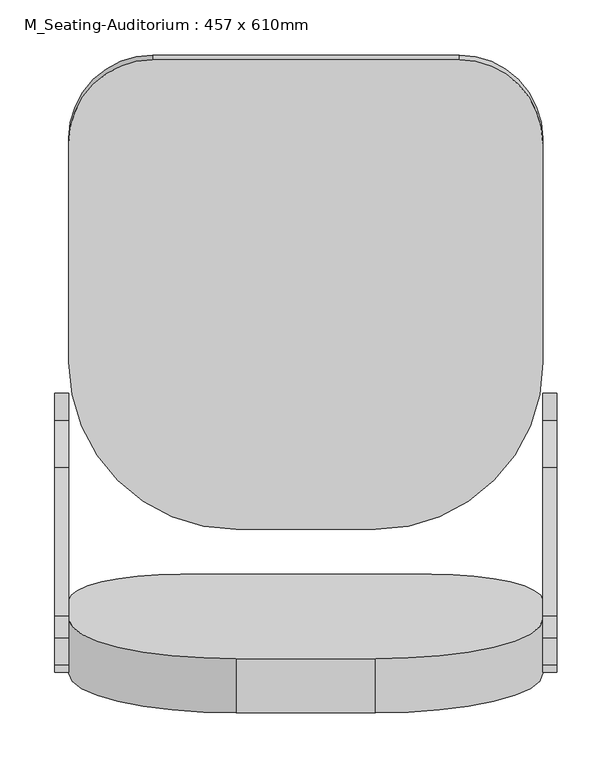
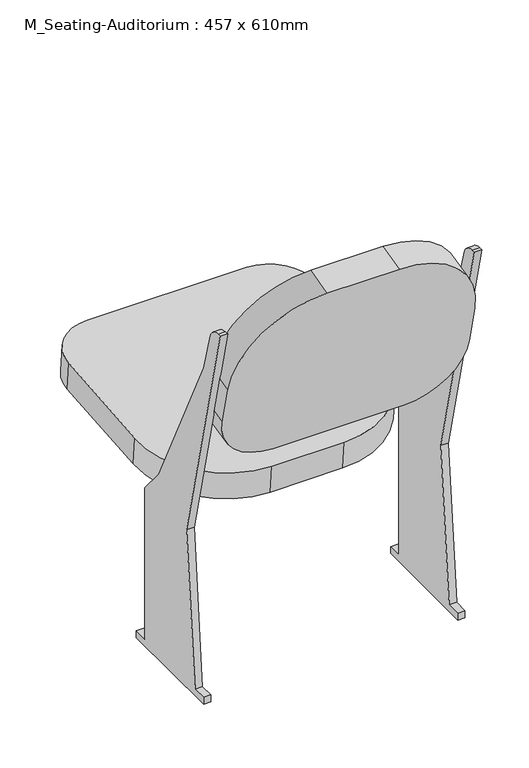
"""IFC4 building model written with IfcOpenShell, lengths in millimetres: furniture geometry, M_Seating-Auditorium : 457 x 610mm."""

from ifc_helpers import new_model, si_unit, point, frame, frame_2d, origin, place, context, project, spatial, polyline, circle_curve, trimmed, segment, composite_curve, outline, extrude, source, transform, mapped, element, save


def m_seating_auditorium_457_x_610mm_3d1d9cbc(model_context):
    return source(origin(), model_context, "Body", "SweptSolid", [
        extrude(outline(composite_curve([segment(polyline([(0.0, 0.0), (127.0, 0.0)]), True, "CONTINUOUS"), segment(trimmed(circle_curve(frame_2d((127.0, -152.4)), 152.4), [point((127.0, 0.0))], [point((279.4, -152.4))], False, "CARTESIAN"), True, "CONTINUOUS"), segment(polyline([(279.4, -152.4), (279.4, -224.0588601)]), True, "CONTINUOUS"), segment(trimmed(circle_curve(frame_2d((177.8, -224.0588601)), 101.6), [point((279.4, -224.0588601))], [point((177.8, -325.6588601))], False, "CARTESIAN"), True, "CONTINUOUS"), segment(polyline([(177.8, -325.6588601), (-50.8, -325.6588601)]), True, "CONTINUOUS"), segment(trimmed(circle_curve(frame_2d((-50.8, -224.0588601)), 101.6), [point((-50.8, -325.6588601))], [point((-152.4, -224.0588601))], False, "CARTESIAN"), True, "CONTINUOUS"), segment(polyline([(-152.4, -224.0588601), (-152.4, -152.4)]), True, "CONTINUOUS"), segment(trimmed(circle_curve(frame_2d((0.0, -152.4)), 152.4), [point((-152.4, -152.4))], [point((0.0, 0.0))], False, "CARTESIAN"), True, "CONTINUOUS")], self_intersect=False)), frame((224.2278689, -101.3396919, 755.9484479), z_axis=(0.0, 0.9717404775047361, 0.23605178325712217), x_axis=(-1.0, 0.0, 0.0)), (0.0, 0.0, 1.0), 50.8),
        extrude(outline(composite_curve([segment(trimmed(circle_curve(frame_2d((0.0, -76.2)), 76.2), [point((0.0, 0.0))], [point((76.2, -76.2))], False, "CARTESIAN"), True, "CONTINUOUS"), segment(polyline([(76.2, -76.2), (76.2, -276.4123505)]), True, "CONTINUOUS"), segment(trimmed(circle_curve(frame_2d((-76.2, -276.4123505)), 152.4), [point((76.2, -276.4123505))], [point((-76.2, -428.8123506))], False, "CARTESIAN"), True, "CONTINUOUS"), segment(polyline([(-76.2, -428.8123506), (-203.2, -428.8123506)]), True, "CONTINUOUS"), segment(trimmed(circle_curve(frame_2d((-203.2, -276.4123505)), 152.4), [point((-203.2, -428.8123506))], [point((-355.6, -276.4123505))], False, "CARTESIAN"), True, "CONTINUOUS"), segment(polyline([(-355.6, -276.4123505), (-355.6, -76.2)]), True, "CONTINUOUS"), segment(trimmed(circle_curve(frame_2d((-279.4, -76.2)), 76.2), [point((-355.6, -76.2))], [point((-279.4, 0.0))], False, "CARTESIAN"), True, "CONTINUOUS"), segment(polyline([(-279.4, 0.0), (0.0, 0.0)]), True, "CONTINUOUS")], self_intersect=False)), frame((300.4278689, 497.5245173, 321.2380213), z_axis=(0.0, -0.08715574274765496, 0.9961946980917459), x_axis=(1.0, 0.0, 0.0)), (0.0, 0.0, 1.0), 50.8),
        extrude(outline(composite_curve([segment(polyline([(-13.3245902, 0.0), (-13.3245902, 12.7), (12.0754098, 12.7), (37.4754098, 292.1), (-64.1245902, 711.2), (-57.883846, 711.2)]), True, "CONTINUOUS"), segment(trimmed(circle_curve(frame_2d((-57.883846, 685.8)), 25.4), [point((-57.883846, 711.2))], [point((-33.4611378, 692.7779166))], False, "CARTESIAN"), True, "CONTINUOUS"), segment(polyline([(-33.4611378, 692.7779166), (-13.3245902, 622.3), (121.8491486, 342.9), (164.4754098, 292.1), (164.4754098, 12.7), (189.8754098, 12.7), (189.8754098, 0.0), (-13.3245902, 0.0)]), True, "CONTINUOUS")], self_intersect=False)), frame((-67.8721311, 0.0, 0.0), z_axis=(1.0, 0.0, 0.0), x_axis=(0.0, 1.0, 0.0)), (0.0, 0.0, 1.0), 12.7),
        extrude(outline(composite_curve([segment(polyline([(-13.3245902, 12.7), (12.0754098, 12.7), (37.4754098, 292.1), (-64.1245902, 711.2), (-57.883846, 711.2)]), True, "CONTINUOUS"), segment(trimmed(circle_curve(frame_2d((-57.883846, 685.8)), 25.4), [point((-57.883846, 711.2))], [point((-33.4611378, 692.7779166))], False, "CARTESIAN"), True, "CONTINUOUS"), segment(polyline([(-33.4611378, 692.7779166), (-13.3245902, 622.3), (121.8491486, 342.9), (164.4754098, 292.1), (164.4754098, 12.7), (189.8754098, 12.7), (189.8754098, 0.0), (-13.3245902, 0.0), (-13.3245902, 12.7)]), True, "CONTINUOUS")], self_intersect=False)), frame((376.6278689, 0.0, 0.0), z_axis=(1.0, 0.0, 0.0), x_axis=(0.0, 1.0, 0.0)), (0.0, 0.0, 1.0), 12.7),
    ])


if __name__ == "__main__":
    model = new_model("IFC4")
    model_context = context("Model", 3, world=origin())
    ifc_project = project(units=[si_unit("LENGTHUNIT", "METRE", prefix="MILLI")], contexts=[model_context])
    site = spatial("IfcSite", under=ifc_project)
    building = spatial("IfcBuilding", under=site)
    placement = place(None, origin())
    m_seating_auditorium_457_x_610mm_shape = m_seating_auditorium_457_x_610mm_3d1d9cbc(model_context)
    element("IfcFurniture", 1, ObjectType="M_Seating-Auditorium : 457 x 610mm", at=placement, inside=building, context=model_context, shape_type="MappedRepresentation", body=[
        mapped(m_seating_auditorium_457_x_610mm_shape, transform((0.0, 0.0, 0.0), x_axis=(1.0, 0.0, 0.0), y_axis=(0.0, 1.0, 0.0), z_axis=(0.0, 0.0, 1.0))),
    ])
    save(model, "model.ifc")
